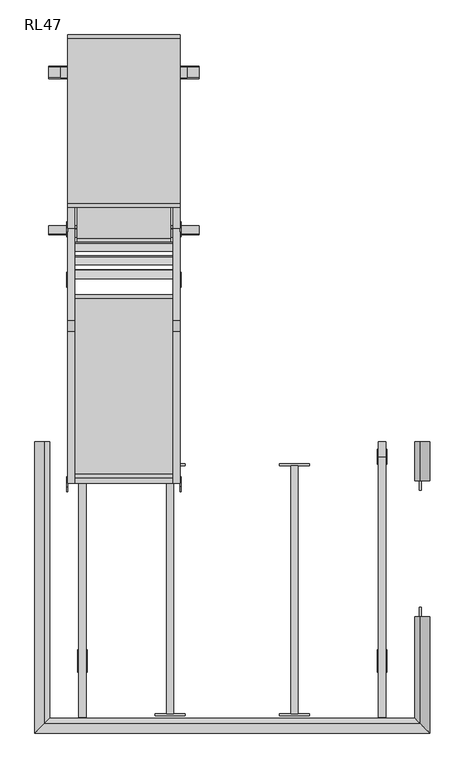
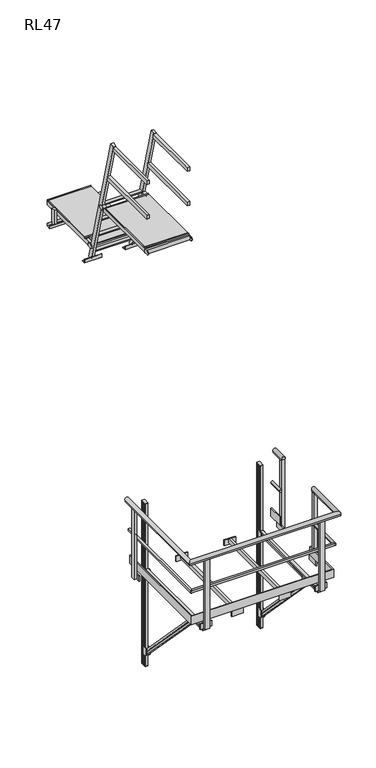
"""IFC4 building model written with IfcOpenShell, lengths in millimetres: proxy geometry, RL47."""

from ifc_helpers import new_model, si_unit, point, frame, frame_2d, origin, place, context, project, spatial, polyline, circle_curve, ellipse_curve, trimmed, segment, composite_curve, outline, extrude, faceted_brep, source, transform, mapped, element, save
from ifc_brep_helpers import plane_surface, cylinder_surface, advanced_brep


def rl47_e33b802b(model_context):
    return source(origin(), model_context, "Body", "SolidModel", [
        extrude(outline(polyline([(-1739.5, 1304.8694762), (-1739.5, 1286.8694762), (-2239.5, 1286.8694762), (-2239.5, 1304.8694762), (-1739.5, 1304.8694762)])), frame((0.0, 0.0, 8981.5), z_axis=(0.0, 0.0, 1.0), x_axis=(1.0, 0.0, 0.0)), (0.0, 0.0, 1.0), 18.5),
        extrude(outline(polyline([(-1689.0, 1491.1194762), (-1689.0, 1472.6194762), (-2290.0, 1472.6194762), (-2290.0, 1491.1194762), (-1689.0, 1491.1194762)])), frame((0.0, 0.0, 8981.5), z_axis=(0.0, 0.0, 1.0), x_axis=(1.0, 0.0, 0.0)), (0.0, 0.0, 1.0), 18.5),
        extrude(outline(polyline([(-1739.5, 1472.6194762), (-1739.5, 1304.8694762), (-2239.5, 1304.8694762), (-2239.5, 1472.6194762), (-1739.5, 1472.6194762)])), frame((0.0, 0.0, 8981.5), z_axis=(0.0, 0.0, 1.0), x_axis=(1.0, 0.0, 0.0)), (0.0, 0.0, 1.0), 18.5),
        extrude(outline(polyline([(-2252.0, 1360.0196058), (-2290.0, 1360.0196058), (-2290.0, 2391.8694762), (-2252.0, 2391.8694762), (-2252.0, 1360.0196058)])), frame((0.0, 0.0, 8923.5), z_axis=(0.0, 0.0, 1.0), x_axis=(1.0, 0.0, 0.0)), (0.0, 0.0, 1.0), 58.0),
        extrude(outline(polyline([(-1689.0, 1360.0196058), (-1727.0, 1360.0196058), (-1727.0, 2391.8694762), (-1689.0, 2391.8694762), (-1689.0, 1360.0196058)])), frame((0.0, 0.0, 8923.5), z_axis=(0.0, 0.0, 1.0), x_axis=(1.0, 0.0, 0.0)), (0.0, 0.0, 1.0), 58.0),
        extrude(outline(polyline([(-1651.0, 2220.8694762), (-1651.0, 2162.8694762), (-1689.0, 2162.8694762), (-1689.0, 2220.8694762), (-1651.0, 2220.8694762)])), frame((0.0, 0.0, 8753.0), z_axis=(0.0, 0.0, 1.0), x_axis=(1.0, 0.0, 0.0)), (0.0, 0.0, 1.0), 240.0),
        extrude(outline(polyline([(-2290.0, 2220.8694762), (-2290.0, 2162.8694762), (-2328.0, 2162.8694762), (-2328.0, 2220.8694762), (-2290.0, 2220.8694762)])), frame((0.0, 0.0, 8753.0), z_axis=(0.0, 0.0, 1.0), x_axis=(1.0, 0.0, 0.0)), (0.0, 0.0, 1.0), 240.0),
        extrude(outline(polyline([(-1689.0, 2391.8694762), (-1689.0, 2373.3694762), (-2290.0, 2373.3694762), (-2290.0, 2391.8694762), (-1689.0, 2391.8694762)])), frame((0.0, 0.0, 8981.5), z_axis=(0.0, 0.0, 1.0), x_axis=(1.0, 0.0, 0.0)), (0.0, 0.0, 1.0), 18.5),
        extrude(outline(polyline([(2221.3694762, 8788.0), (2224.3694762, 8788.0), (2224.3694762, 8750.0), (2159.3694762, 8750.0), (2159.3694762, 8788.0), (2162.3694762, 8788.0), (2162.3694762, 8753.0), (2221.3694762, 8753.0), (2221.3694762, 8788.0)])), frame((-2390.0, 0.0, 0.0), z_axis=(1.0, 0.0, 0.0), x_axis=(0.0, 1.0, 0.0)), (0.0, 0.0, 1.0), 801.0),
        extrude(outline(polyline([(-1689.0, 2372.8694762), (-1689.0, 1491.1194762), (-2290.0, 1491.1194762), (-2290.0, 2372.8694762), (-1689.0, 2372.8694762)])), frame((0.0, 0.0, 8981.5), z_axis=(0.0, 0.0, 1.0), x_axis=(1.0, 0.0, 0.0)), (0.0, 0.0, 1.0), 18.5),
        extrude(outline(composite_curve([segment(trimmed(circle_curve(frame_2d((1389.0731956, 8933.5)), 6.0), [point((1395.0731956, 8933.5))], [point((1389.0731956, 8927.5))], False, "CARTESIAN"), True, "CONTINUOUS"), segment(polyline([(1389.0731956, 8927.5), (1340.0196058, 8927.5)]), True, "CONTINUOUS"), segment(trimmed(circle_curve(frame_2d((1340.0196058, 8952.5)), 25.0), [point((1340.0196058, 8927.5))], [point((1340.0196058, 8977.5))], False, "CARTESIAN"), True, "CONTINUOUS"), segment(polyline([(1340.0196058, 8977.5), (1389.0731956, 8977.5)]), True, "CONTINUOUS"), segment(trimmed(circle_curve(frame_2d((1389.0731956, 8971.5)), 6.0), [point((1389.0731956, 8977.5))], [point((1395.0731956, 8971.5))], False, "CARTESIAN"), True, "CONTINUOUS"), segment(polyline([(1395.0731956, 8971.5), (1395.0731956, 8933.5)]), True, "CONTINUOUS")], self_intersect=False)), frame((-2296.0, 0.0, 0.0), z_axis=(1.0, 0.0, 0.0), x_axis=(0.0, 1.0, 0.0)), (0.0, 0.0, 1.0), 6.0),
        extrude(outline(composite_curve([segment(trimmed(circle_curve(frame_2d((1389.0731956, 8933.5)), 6.0), [point((1395.0731956, 8933.5))], [point((1389.0731956, 8927.5))], False, "CARTESIAN"), True, "CONTINUOUS"), segment(polyline([(1389.0731956, 8927.5), (1340.0196058, 8927.5)]), True, "CONTINUOUS"), segment(trimmed(circle_curve(frame_2d((1340.0196058, 8952.5)), 25.0), [point((1340.0196058, 8927.5))], [point((1340.0196058, 8977.5))], False, "CARTESIAN"), True, "CONTINUOUS"), segment(polyline([(1340.0196058, 8977.5), (1389.0731956, 8977.5)]), True, "CONTINUOUS"), segment(trimmed(circle_curve(frame_2d((1389.0731956, 8971.5)), 6.0), [point((1389.0731956, 8977.5))], [point((1395.0731956, 8971.5))], False, "CARTESIAN"), True, "CONTINUOUS"), segment(polyline([(1395.0731956, 8971.5), (1395.0731956, 8933.5)]), True, "CONTINUOUS")], self_intersect=False)), frame((-1689.0, 0.0, 0.0), z_axis=(1.0, 0.0, 0.0), x_axis=(0.0, 1.0, 0.0)), (0.0, 0.0, 1.0), 6.0),
        extrude(outline(polyline([(-1727.0, 1534.8694762), (-1727.0, 1476.8694762), (-2252.0, 1476.8694762), (-2252.0, 1534.8694762), (-1727.0, 1534.8694762)])), frame((0.0, 0.0, 8943.5), z_axis=(0.0, 0.0, 1.0), x_axis=(1.0, 0.0, 0.0)), (0.0, 0.0, 1.0), 38.0),
        extrude(outline(polyline([(-1727.0, 1958.8694762), (-1727.0, 1900.8694762), (-2252.0, 1900.8694762), (-2252.0, 1958.8694762), (-1727.0, 1958.8694762)])), frame((0.0, 0.0, 8943.5), z_axis=(0.0, 0.0, 1.0), x_axis=(1.0, 0.0, 0.0)), (0.0, 0.0, 1.0), 38.0),
        extrude(outline(polyline([(-1727.0, 2381.8694762), (-1727.0, 2323.8694762), (-2252.0, 2323.8694762), (-2252.0, 2381.8694762), (-1727.0, 2381.8694762)])), frame((0.0, 0.0, 8943.5), z_axis=(0.0, 0.0, 1.0), x_axis=(1.0, 0.0, 0.0)), (0.0, 0.0, 1.0), 38.0),
        extrude(outline(composite_curve([segment(polyline([(1212.725111, 9428.6438625), (1169.2584488, 9416.9970054), (1164.8585251, 9433.4177445)]), True, "CONTINUOUS"), segment(trimmed(circle_curve(frame_2d((1189.9490378, 9426.7120005)), 25.9711538), [point((1164.8585251, 9433.4177445))], [point((1208.3251872, 9445.0646015))], False, "CARTESIAN"), True, "CONTINUOUS"), segment(polyline([(1208.3251872, 9445.0646015), (1212.725111, 9428.6438625)]), True, "CONTINUOUS")], self_intersect=False)), frame((-2252.0, 0.0, 0.0), z_axis=(1.0, 0.0, 0.0), x_axis=(0.0, 1.0, 0.0)), (0.0, 0.0, 1.0), 525.0),
        extrude(outline(composite_curve([segment(polyline([(1285.9293103, 9155.4420712), (1242.4626482, 9143.7952142), (1238.0627244, 9160.2159532)]), True, "CONTINUOUS"), segment(trimmed(circle_curve(frame_2d((1263.1532371, 9153.5102093)), 25.9711538), [point((1238.0627244, 9160.2159532))], [point((1281.5293866, 9171.8628103))], False, "CARTESIAN"), True, "CONTINUOUS"), segment(polyline([(1281.5293866, 9171.8628103), (1285.9293103, 9155.4420712)]), True, "CONTINUOUS")], self_intersect=False)), frame((-2252.0, 0.0, 0.0), z_axis=(1.0, 0.0, 0.0), x_axis=(0.0, 1.0, 0.0)), (0.0, 0.0, 1.0), 525.0),
        extrude(outline(composite_curve([segment(polyline([(1139.5209117, 9701.8456537), (1096.0542495, 9690.1987967), (1091.6543257, 9706.6195357)]), True, "CONTINUOUS"), segment(trimmed(circle_curve(frame_2d((1116.7448385, 9699.9137918)), 25.9711538), [point((1091.6543257, 9706.6195357))], [point((1135.1209879, 9718.2663928))], False, "CARTESIAN"), True, "CONTINUOUS"), segment(polyline([(1135.1209879, 9718.2663928), (1139.5209117, 9701.8456537)]), True, "CONTINUOUS")], self_intersect=False)), frame((-2252.0, 0.0, 0.0), z_axis=(1.0, 0.0, 0.0), x_axis=(0.0, 1.0, 0.0)), (0.0, 0.0, 1.0), 525.0),
        extrude(outline(composite_curve([segment(polyline([(1359.1335097, 8882.24028), (1315.6668475, 8870.5934229), (1311.2669237, 8887.014162)]), True, "CONTINUOUS"), segment(trimmed(circle_curve(frame_2d((1336.3574365, 8880.308418)), 25.9711538), [point((1311.2669237, 8887.014162))], [point((1354.7335859, 8898.661019))], False, "CARTESIAN"), True, "CONTINUOUS"), segment(polyline([(1354.7335859, 8898.661019), (1359.1335097, 8882.24028)]), True, "CONTINUOUS")], self_intersect=False)), frame((-2252.0, 0.0, 0.0), z_axis=(1.0, 0.0, 0.0), x_axis=(0.0, 1.0, 0.0)), (0.0, 0.0, 1.0), 525.0),
        extrude(outline(polyline([(-38.0, 0.0), (0.0, 0.0), (0.0, -58.0000001), (-38.0, -58.0000001), (-38.0, 0.0)])), frame((-2252.0, 1396.470313, 8768.0115046), z_axis=(0.0, -0.25881904510251985, 0.9659258262890685), x_axis=(1.0, 0.0, 0.0)), (0.0, 0.0, 1.0), 2048.5179208),
        extrude(outline(polyline([(-38.0, 0.0), (0.0, 0.0), (0.0, -58.0000001), (-38.0, -58.0000001), (-38.0, 0.0)])), frame((-1689.0, 1396.470313, 8768.0115046), z_axis=(0.0, -0.25881904510251985, 0.9659258262890685), x_axis=(1.0, 0.0, 0.0)), (0.0, 0.0, 1.0), 2048.5179208),
        extrude(outline(composite_curve([segment(polyline([(1044.4694194, 9658.8687928), (1044.4694194, 9696.8687928)]), True, "CONTINUOUS"), segment(trimmed(circle_curve(frame_2d((1050.4694194, 9696.8687928)), 6.0), [point((1044.4694194, 9696.8687928))], [point((1050.4694194, 9702.8687928))], False, "CARTESIAN"), True, "CONTINUOUS"), segment(polyline([(1050.4694194, 9702.8687928), (1099.5230092, 9702.8687928)]), True, "CONTINUOUS"), segment(trimmed(circle_curve(frame_2d((1099.5230092, 9677.8687928)), 25.0), [point((1099.5230092, 9702.8687928))], [point((1099.5230092, 9652.8687928))], False, "CARTESIAN"), True, "CONTINUOUS"), segment(polyline([(1099.5230092, 9652.8687928), (1050.4694194, 9652.8687928)]), True, "CONTINUOUS"), segment(trimmed(circle_curve(frame_2d((1050.4694194, 9658.8687928)), 6.0), [point((1050.4694194, 9652.8687928))], [point((1044.4694194, 9658.8687928))], False, "CARTESIAN"), True, "CONTINUOUS")], self_intersect=False)), frame((-2295.5, 0.0, 0.0), z_axis=(1.0, 0.0, 0.0), x_axis=(0.0, 1.0, 0.0)), (0.0, 0.0, 1.0), 6.0),
        extrude(outline(composite_curve([segment(trimmed(circle_curve(frame_2d((1050.4694194, 9696.8687928)), 6.0), [point((1044.4694194, 9696.8687928))], [point((1050.4694194, 9702.8687928))], False, "CARTESIAN"), True, "CONTINUOUS"), segment(polyline([(1050.4694194, 9702.8687928), (1099.5230092, 9702.8687928)]), True, "CONTINUOUS"), segment(trimmed(circle_curve(frame_2d((1099.5230092, 9677.8687928)), 25.0), [point((1099.5230092, 9702.8687928))], [point((1099.5230092, 9652.8687928))], False, "CARTESIAN"), True, "CONTINUOUS"), segment(polyline([(1099.5230092, 9652.8687928), (1050.4694194, 9652.8687928)]), True, "CONTINUOUS"), segment(trimmed(circle_curve(frame_2d((1050.4694194, 9658.8687928)), 6.0), [point((1050.4694194, 9652.8687928))], [point((1044.4694194, 9658.8687928))], False, "CARTESIAN"), True, "CONTINUOUS"), segment(polyline([(1044.4694194, 9658.8687928), (1044.4694194, 9696.8687928)]), True, "CONTINUOUS")], self_intersect=False)), frame((-1689.5, 0.0, 0.0), z_axis=(1.0, 0.0, 0.0), x_axis=(0.0, 1.0, 0.0)), (0.0, 0.0, 1.0), 6.0),
        extrude(outline(composite_curve([segment(trimmed(circle_curve(frame_2d((-20.0, 9677.8687928)), 25.0), [point((-20.0, 9652.8687928))], [point((-20.0, 9702.8687928))], False, "CARTESIAN"), True, "CONTINUOUS"), segment(polyline([(-20.0, 9702.8687928), (29.0535898, 9702.8687928)]), True, "CONTINUOUS"), segment(trimmed(circle_curve(frame_2d((29.0535898, 9696.8687928)), 6.0), [point((29.0535898, 9702.8687928))], [point((35.0535898, 9696.8687928))], False, "CARTESIAN"), True, "CONTINUOUS"), segment(polyline([(35.0535898, 9696.8687928), (35.0535898, 9658.8687928)]), True, "CONTINUOUS"), segment(trimmed(circle_curve(frame_2d((29.0535898, 9658.8687928)), 6.0), [point((35.0535898, 9658.8687928))], [point((29.0535898, 9652.8687928))], False, "CARTESIAN"), True, "CONTINUOUS"), segment(polyline([(29.0535898, 9652.8687928), (-20.0, 9652.8687928)]), True, "CONTINUOUS")], self_intersect=False)), frame((-2295.5, 0.0, 0.0), z_axis=(1.0, 0.0, 0.0), x_axis=(0.0, 1.0, 0.0)), (0.0, 0.0, 1.0), 6.0),
        extrude(outline(composite_curve([segment(trimmed(circle_curve(frame_2d((-20.0, 9677.8687928)), 25.0), [point((-20.0, 9652.8687928))], [point((-20.0, 9702.8687928))], False, "CARTESIAN"), True, "CONTINUOUS"), segment(polyline([(-20.0, 9702.8687928), (29.0535898, 9702.8687928)]), True, "CONTINUOUS"), segment(trimmed(circle_curve(frame_2d((29.0535898, 9696.8687928)), 6.0), [point((29.0535898, 9702.8687928))], [point((35.0535898, 9696.8687928))], False, "CARTESIAN"), True, "CONTINUOUS"), segment(polyline([(35.0535898, 9696.8687928), (35.0535898, 9658.8687928)]), True, "CONTINUOUS"), segment(trimmed(circle_curve(frame_2d((29.0535898, 9658.8687928)), 6.0), [point((35.0535898, 9658.8687928))], [point((29.0535898, 9652.8687928))], False, "CARTESIAN"), True, "CONTINUOUS"), segment(polyline([(29.0535898, 9652.8687928), (-20.0, 9652.8687928)]), True, "CONTINUOUS")], self_intersect=False)), frame((-1689.5, 0.0, 0.0), z_axis=(1.0, 0.0, 0.0), x_axis=(0.0, 1.0, 0.0)), (0.0, 0.0, 1.0), 6.0),
        extrude(outline(polyline([(-2289.5, 30.0), (-2289.5, 48.4), (-1689.5, 48.4), (-1689.5, 30.0), (-2289.5, 30.0)])), frame((0.0, 0.0, 9706.5), z_axis=(0.0, 0.0, 1.0), x_axis=(1.0, 0.0, 0.0)), (0.0, 0.0, 1.0), 18.5),
        extrude(outline(polyline([(-2289.5, 986.1290032), (-2289.5, 1004.5290032), (-1689.5, 1004.5290032), (-1689.5, 986.1290032), (-2289.5, 986.1290032)])), frame((0.0, 0.0, 9706.5), z_axis=(0.0, 0.0, 1.0), x_axis=(1.0, 0.0, 0.0)), (0.0, 0.0, 1.0), 18.5),
        extrude(outline(polyline([(1374.853003, 8753.0), (1374.853003, 8750.0), (1324.853003, 8750.0), (1324.853003, 8800.0), (1327.853003, 8800.0), (1327.853003, 8753.0), (1374.853003, 8753.0)])), frame((-2390.0, 0.0, 0.0), z_axis=(1.0, 0.0, 0.0), x_axis=(0.0, 1.0, 0.0)), (0.0, 0.0, 1.0), 238.0),
        extrude(outline(polyline([(1374.853003, 8753.0), (1374.853003, 8750.0), (1324.853003, 8750.0), (1324.853003, 8800.0), (1327.853003, 8800.0), (1327.853003, 8753.0), (1374.853003, 8753.0)])), frame((-1827.0, 0.0, 0.0), z_axis=(1.0, 0.0, 0.0), x_axis=(0.0, 1.0, 0.0)), (0.0, 0.0, 1.0), 238.0),
        extrude(outline(polyline([(-1689.5, 0.0), (-1727.5, 0.0), (-1727.5, 947.9025997), (-1689.5, 947.9025997), (-1689.5, 0.0)])), frame((0.0, 0.0, 10160.9942094), z_axis=(0.0, 0.0, 1.0), x_axis=(1.0, 0.0, 0.0)), (0.0, 0.0, 1.0), 57.0),
        extrude(outline(polyline([(-1689.5, 0.0), (-1727.5, 0.0), (-1727.5, 812.0508076), (-1689.5, 812.0508076), (-1689.5, 0.0)])), frame((0.0, 0.0, 10668.0), z_axis=(0.0, 0.0, 1.0), x_axis=(1.0, 0.0, 0.0)), (0.0, 0.0, 1.0), 57.0),
        extrude(outline(polyline([(-2251.5, 0.0), (-2289.5, 0.0), (-2289.5, 812.0508076), (-2251.5, 812.0508076), (-2251.5, 0.0)])), frame((0.0, 0.0, 10668.0), z_axis=(0.0, 0.0, 1.0), x_axis=(1.0, 0.0, 0.0)), (0.0, 0.0, 1.0), 57.0),
        extrude(outline(polyline([(-2251.5, 0.0), (-2289.5, 0.0), (-2289.5, 947.9025997), (-2251.5, 947.9025997), (-2251.5, 0.0)])), frame((0.0, 0.0, 10160.9942094), z_axis=(0.0, 0.0, 1.0), x_axis=(1.0, 0.0, 0.0)), (0.0, 0.0, 1.0), 57.0),
        extrude(outline(polyline([(-2289.5, 986.1290032), (-1689.5, 986.1290032), (-1689.5, 48.4), (-2289.5, 48.4), (-2289.5, 986.1290032)])), frame((0.0, 0.0, 9706.5), z_axis=(0.0, 0.0, 1.0), x_axis=(1.0, 0.0, 0.0)), (0.0, 0.0, 1.0), 18.5),
        extrude(outline(polyline([(-1727.5, 1079.5230092), (-1689.5, 1079.5230092), (-1689.5, 0.0), (-2289.5, 0.0), (-2289.5, 1079.5230092), (-2251.5, 1079.5230092), (-2251.5, 38.0), (-1727.5, 38.0), (-1727.5, 1079.5230092)])), frame((0.0, 0.0, 9649.2375855), z_axis=(0.0, 0.0, 1.0), x_axis=(1.0, 0.0, 0.0)), (0.0, 0.0, 1.0), 57.2624145),
        extrude(outline(polyline([(-2251.5, 933.7615046), (-2251.5, 991.7615046), (-1727.5, 991.7615046), (-1727.5, 933.7615046), (-2251.5, 933.7615046)])), frame((0.0, 0.0, 9668.5), z_axis=(0.0, 0.0, 1.0), x_axis=(1.0, 0.0, 0.0)), (0.0, 0.0, 1.0), 38.0),
        extrude(outline(polyline([(-2251.5, 510.7615046), (-2251.5, 568.7615046), (-1727.5, 568.7615046), (-1727.5, 510.7615046), (-2251.5, 510.7615046)])), frame((0.0, 0.0, 9668.5), z_axis=(0.0, 0.0, 1.0), x_axis=(1.0, 0.0, 0.0)), (0.0, 0.0, 1.0), 38.0),
        extrude(outline(polyline([(-639.75, -1288.0), (-581.25, -1288.0), (-581.25, -1326.5), (-639.75, -1326.5), (-639.75, -1288.0)])), frame((0.0, 0.0, 4909.0), z_axis=(0.0, 0.0, 1.0), x_axis=(1.0, 0.0, 0.0)), (0.0, 0.0, 1.0), 1035.5),
        extrude(outline(polyline([(-690.5, -1288.0), (-690.5, -1278.0), (-530.5, -1278.0), (-530.5, -1288.0), (-690.5, -1288.0)])), frame((0.0, 0.0, 4904.0), z_axis=(0.0, 0.0, 1.0), x_axis=(1.0, 0.0, 0.0)), (0.0, 0.0, 1.0), 80.0),
        extrude(outline(polyline([(-629.75, 222.0), (-591.25, 222.0), (-591.25, 142.0), (-629.75, 142.0), (-629.75, 222.0)])), frame((0.0, 0.0, 3471.1412976), z_axis=(0.0, 0.0, 1.0), x_axis=(1.0, 0.0, 0.0)), (0.0, 0.0, 1.0), 5.0),
        extrude(outline(polyline([(-629.75, 222.0), (-591.25, 222.0), (-591.25, 142.0), (-629.75, 142.0), (-629.75, 222.0)])), frame((0.0, 0.0, 5866.1412976), z_axis=(0.0, 0.0, 1.0), x_axis=(1.0, 0.0, 0.0)), (0.0, 0.0, 1.0), 5.0),
        extrude(outline(polyline([(4841.8912976, -591.25), (4865.8912976, -591.25), (4865.8912976, -595.25), (4876.3912976, -595.25), (4876.3912976, -591.25), (4904.0, -591.25), (4904.0, -629.75), (4876.3912976, -629.75), (4876.3912976, -625.75), (4865.8912976, -625.75), (4865.8912976, -629.75), (4841.8912976, -629.75), (4841.8912976, -591.25)])), frame((0.0, -1248.0, 0.0), z_axis=(0.0, 1.0, 0.0), x_axis=(0.0, 0.0, 1.0)), (0.0, 0.0, 1.0), 1390.0),
        extrude(outline(polyline([(-629.75, 187.25), (-629.75, 204.5), (-616.75, 204.5), (-616.75, 215.0), (-629.75, 215.0), (-629.75, 222.0), (-591.25, 222.0), (-591.25, 215.0), (-604.25, 215.0), (-604.25, 204.5), (-591.25, 204.5), (-591.25, 187.25), (-604.25, 187.25), (-604.25, 176.75), (-591.25, 176.75), (-591.25, 159.5), (-604.25, 159.5), (-604.25, 149.0), (-591.25, 149.0), (-591.25, 142.0), (-629.75, 142.0), (-629.75, 149.0), (-616.75, 149.0), (-616.75, 159.5), (-629.75, 159.5), (-629.75, 176.75), (-616.75, 176.75), (-616.75, 187.25), (-629.75, 187.25)])), frame((0.0, 0.0, 3476.1412976), z_axis=(0.0, 0.0, 1.0), x_axis=(1.0, 0.0, 0.0)), (0.0, 0.0, 1.0), 2390.0),
        faceted_brep([(-591.25, 123.4263393, 3650.8567388), (-629.75, 123.4263393, 3650.8567388), (-629.75, 140.7175481, 3667.5004794), (-625.75, 140.7175481, 3667.5004794), (-625.75, 148.2824519, 3674.7821159), (-629.75, 148.2824519, 3674.7821159), (-629.75, 165.5736607, 3691.4258565), (-591.25, 165.5736607, 3691.4258565), (-591.25, 148.2824519, 3674.7821159), (-595.25, 148.2824519, 3674.7821159), (-595.25, 140.7175481, 3667.5004794), (-591.25, 140.7175481, 3667.5004794), (-591.25, -983.0891868, 4801.2106317), (-591.25, -965.3553906, 4817.381979), (-595.25, -965.3553906, 4817.381979), (-595.25, -957.5968548, 4824.4569434), (-591.25, -957.5968548, 4824.4569434), (-591.25, -939.8630585, 4840.6282906), (-629.75, -939.8630585, 4840.6282906), (-629.75, -957.5968548, 4824.4569434), (-625.75, -957.5968548, 4824.4569434), (-625.75, -965.3553906, 4817.381979), (-629.75, -965.3553906, 4817.381979), (-629.75, -983.0891868, 4801.2106317), (-591.25, -951.8315568, 4802.5514945), (-591.25, -969.3472449, 4786.140966), (-595.25, -951.8315568, 4802.5514945), (-595.25, -944.1684432, 4809.7311008), (-591.25, -944.1684432, 4809.7311008), (-591.25, -926.6527551, 4826.1416293), (-629.75, -926.6527551, 4826.1416293), (-629.75, -944.1684432, 4809.7311008), (-625.75, -944.1684432, 4809.7311008), (-625.75, -951.8315568, 4802.5514945), (-629.75, -951.8315568, 4802.5514945), (-629.75, -969.3472449, 4786.140966)], [[[0, 1, 2, 3, 4, 5, 6, 7, 8, 9, 10, 11]], [[12, 13, 14, 15, 16, 17, 18, 19, 20, 21, 22, 23]], [[11, 24, 13, 12, 25, 0]], [[10, 26, 24, 11]], [[9, 27, 15, 14, 26, 10]], [[8, 28, 27, 9]], [[7, 29, 17, 16, 28, 8]], [[6, 30, 29, 7]], [[5, 31, 19, 18, 30, 6]], [[4, 32, 31, 5]], [[3, 33, 21, 20, 32, 4]], [[2, 34, 33, 3]], [[1, 35, 23, 22, 34, 2]], [[0, 25, 35, 1]], [[26, 14, 13, 24]], [[28, 16, 15, 27]], [[30, 18, 17, 29]], [[32, 20, 19, 31]], [[34, 22, 21, 33]], [[25, 12, 23, 35]]]),
        extrude(outline(polyline([(102.0, 3761.1412976), (182.0, 3761.1412976), (182.0, 3641.1412976), (126.0, 3641.1412976), (102.0, 3665.1412976), (102.0, 3761.1412976)])), frame((-635.75, 0.0, 0.0), z_axis=(1.0, 0.0, 0.0), x_axis=(0.0, 1.0, 0.0)), (0.0, 0.0, 1.0), 6.0),
        extrude(outline(polyline([(182.0, 4904.0), (182.0, 4784.0), (126.0, 4784.0), (102.0, 4808.0), (102.0, 4904.0), (182.0, 4904.0)])), frame((-635.75, 0.0, 0.0), z_axis=(1.0, 0.0, 0.0), x_axis=(0.0, 1.0, 0.0)), (0.0, 0.0, 1.0), 6.0),
        extrude(outline(polyline([(-888.0, 4791.1412976), (-984.0, 4791.1412976), (-1008.0, 4815.1412976), (-1008.0, 4871.1412976), (-888.0, 4871.1412976), (-888.0, 4791.1412976)])), frame((-635.75, 0.0, 0.0), z_axis=(1.0, 0.0, 0.0), x_axis=(0.0, 1.0, 0.0)), (0.0, 0.0, 1.0), 6.0),
        extrude(outline(polyline([(102.0, 3761.1412976), (182.0, 3761.1412976), (182.0, 3641.1412976), (126.0, 3641.1412976), (102.0, 3665.1412976), (102.0, 3761.1412976)])), frame((-591.25, 0.0, 0.0), z_axis=(1.0, 0.0, 0.0), x_axis=(0.0, 1.0, 0.0)), (0.0, 0.0, 1.0), 6.0),
        extrude(outline(polyline([(182.0, 4904.0), (182.0, 4784.0), (126.0, 4784.0), (102.0, 4808.0), (102.0, 4904.0), (182.0, 4904.0)])), frame((-591.25, 0.0, 0.0), z_axis=(1.0, 0.0, 0.0), x_axis=(0.0, 1.0, 0.0)), (0.0, 0.0, 1.0), 6.0),
        extrude(outline(polyline([(-888.0, 4791.1412976), (-984.0, 4791.1412976), (-1008.0, 4815.1412976), (-1008.0, 4871.1412976), (-888.0, 4871.1412976), (-888.0, 4791.1412976)])), frame((-591.25, 0.0, 0.0), z_axis=(1.0, 0.0, 0.0), x_axis=(0.0, 1.0, 0.0)), (0.0, 0.0, 1.0), 6.0),
        extrude(outline(polyline([(-2191.25, 222.0), (-2191.25, 142.0), (-2229.75, 142.0), (-2229.75, 222.0), (-2191.25, 222.0)])), frame((0.0, 0.0, 3471.1412976), z_axis=(0.0, 0.0, 1.0), x_axis=(1.0, 0.0, 0.0)), (0.0, 0.0, 1.0), 5.0),
        extrude(outline(polyline([(-2191.25, 222.0), (-2191.25, 142.0), (-2229.75, 142.0), (-2229.75, 222.0), (-2191.25, 222.0)])), frame((0.0, 0.0, 5866.1412976), z_axis=(0.0, 0.0, 1.0), x_axis=(1.0, 0.0, 0.0)), (0.0, 0.0, 1.0), 5.0),
        extrude(outline(polyline([(4841.8912976, -2229.75), (4841.8912976, -2191.25), (4865.8912976, -2191.25), (4865.8912976, -2195.25), (4876.3912976, -2195.25), (4876.3912976, -2191.25), (4904.0, -2191.25), (4904.0, -2229.75), (4876.3912976, -2229.75), (4876.3912976, -2225.75), (4865.8912976, -2225.75), (4865.8912976, -2229.75), (4841.8912976, -2229.75)])), frame((0.0, -1248.0, 0.0), z_axis=(0.0, 1.0, 0.0), x_axis=(0.0, 0.0, 1.0)), (0.0, 0.0, 1.0), 1390.0),
        extrude(outline(polyline([(-2191.25, 187.25), (-2204.25, 187.25), (-2204.25, 176.75), (-2191.25, 176.75), (-2191.25, 159.5), (-2204.25, 159.5), (-2204.25, 149.0), (-2191.25, 149.0), (-2191.25, 142.0), (-2229.75, 142.0), (-2229.75, 149.0), (-2216.75, 149.0), (-2216.75, 159.5), (-2229.75, 159.5), (-2229.75, 176.75), (-2216.75, 176.75), (-2216.75, 187.25), (-2229.75, 187.25), (-2229.75, 204.5), (-2216.75, 204.5), (-2216.75, 215.0), (-2229.75, 215.0), (-2229.75, 222.0), (-2191.25, 222.0), (-2191.25, 215.0), (-2204.25, 215.0), (-2204.25, 204.5), (-2191.25, 204.5), (-2191.25, 187.25)])), frame((0.0, 0.0, 3476.1412976), z_axis=(0.0, 0.0, 1.0), x_axis=(1.0, 0.0, 0.0)), (0.0, 0.0, 1.0), 2390.0),
        faceted_brep([(-2229.75, 123.4263393, 3650.8567388), (-2229.75, 140.7175481, 3667.5004794), (-2225.75, 140.7175481, 3667.5004794), (-2225.75, 148.2824519, 3674.7821159), (-2229.75, 148.2824519, 3674.7821159), (-2229.75, 165.5736607, 3691.4258565), (-2191.25, 165.5736607, 3691.4258565), (-2191.25, 148.2824519, 3674.7821159), (-2195.25, 148.2824519, 3674.7821159), (-2195.25, 140.7175481, 3667.5004794), (-2191.25, 140.7175481, 3667.5004794), (-2191.25, 123.4263393, 3650.8567388), (-2229.75, -983.0891868, 4801.2106317), (-2191.25, -983.0891868, 4801.2106317), (-2191.25, -965.3553906, 4817.381979), (-2195.25, -965.3553906, 4817.381979), (-2195.25, -957.5968548, 4824.4569434), (-2191.25, -957.5968548, 4824.4569434), (-2191.25, -939.8630585, 4840.6282906), (-2229.75, -939.8630585, 4840.6282906), (-2229.75, -957.5968548, 4824.4569434), (-2225.75, -957.5968548, 4824.4569434), (-2225.75, -965.3553906, 4817.381979), (-2229.75, -965.3553906, 4817.381979), (-2229.75, -969.3472449, 4786.140966), (-2229.75, -951.8315568, 4802.5514945), (-2225.75, -951.8315568, 4802.5514945), (-2225.75, -944.1684432, 4809.7311008), (-2229.75, -944.1684432, 4809.7311008), (-2229.75, -926.6527551, 4826.1416293), (-2191.25, -926.6527551, 4826.1416293), (-2191.25, -944.1684432, 4809.7311008), (-2195.25, -944.1684432, 4809.7311008), (-2195.25, -951.8315568, 4802.5514945), (-2191.25, -951.8315568, 4802.5514945), (-2191.25, -969.3472449, 4786.140966)], [[[0, 1, 2, 3, 4, 5, 6, 7, 8, 9, 10, 11]], [[12, 13, 14, 15, 16, 17, 18, 19, 20, 21, 22, 23]], [[1, 0, 24, 12, 23, 25]], [[2, 1, 25, 26]], [[3, 2, 26, 22, 21, 27]], [[4, 3, 27, 28]], [[5, 4, 28, 20, 19, 29]], [[6, 5, 29, 30]], [[7, 6, 30, 18, 17, 31]], [[8, 7, 31, 32]], [[9, 8, 32, 16, 15, 33]], [[10, 9, 33, 34]], [[11, 10, 34, 14, 13, 35]], [[0, 11, 35, 24]], [[26, 25, 23, 22]], [[28, 27, 21, 20]], [[30, 29, 19, 18]], [[32, 31, 17, 16]], [[34, 33, 15, 14]], [[24, 35, 13, 12]]]),
        extrude(outline(polyline([(102.0, 3761.1412976), (182.0, 3761.1412976), (182.0, 3641.1412976), (126.0, 3641.1412976), (102.0, 3665.1412976), (102.0, 3761.1412976)])), frame((-2191.25, 0.0, 0.0), z_axis=(1.0, 0.0, 0.0), x_axis=(0.0, 1.0, 0.0)), (0.0, 0.0, 1.0), 6.0),
        extrude(outline(polyline([(182.0, 4904.0), (182.0, 4784.0), (126.0, 4784.0), (102.0, 4808.0), (102.0, 4904.0), (182.0, 4904.0)])), frame((-2191.25, 0.0, 0.0), z_axis=(1.0, 0.0, 0.0), x_axis=(0.0, 1.0, 0.0)), (0.0, 0.0, 1.0), 6.0),
        extrude(outline(polyline([(-888.0, 4791.1412976), (-984.0, 4791.1412976), (-1008.0, 4815.1412976), (-1008.0, 4871.1412976), (-888.0, 4871.1412976), (-888.0, 4791.1412976)])), frame((-2191.25, 0.0, 0.0), z_axis=(1.0, 0.0, 0.0), x_axis=(0.0, 1.0, 0.0)), (0.0, 0.0, 1.0), 6.0),
        extrude(outline(polyline([(102.0, 3761.1412976), (182.0, 3761.1412976), (182.0, 3641.1412976), (126.0, 3641.1412976), (102.0, 3665.1412976), (102.0, 3761.1412976)])), frame((-2235.75, 0.0, 0.0), z_axis=(1.0, 0.0, 0.0), x_axis=(0.0, 1.0, 0.0)), (0.0, 0.0, 1.0), 6.0),
        extrude(outline(polyline([(182.0, 4904.0), (182.0, 4784.0), (126.0, 4784.0), (102.0, 4808.0), (102.0, 4904.0), (182.0, 4904.0)])), frame((-2235.75, 0.0, 0.0), z_axis=(1.0, 0.0, 0.0), x_axis=(0.0, 1.0, 0.0)), (0.0, 0.0, 1.0), 6.0),
        extrude(outline(polyline([(-888.0, 4791.1412976), (-984.0, 4791.1412976), (-1008.0, 4815.1412976), (-1008.0, 4871.1412976), (-888.0, 4871.1412976), (-888.0, 4791.1412976)])), frame((-2235.75, 0.0, 0.0), z_axis=(1.0, 0.0, 0.0), x_axis=(0.0, 1.0, 0.0)), (0.0, 0.0, 1.0), 6.0),
        extrude(outline(polyline([(-1058.75, 93.5), (-1058.75, -1229.5), (-1097.25, -1229.5), (-1097.25, 93.5), (-1058.75, 93.5)])), frame((0.0, 0.0, 4925.5), z_axis=(0.0, 0.0, 1.0), x_axis=(1.0, 0.0, 0.0)), (0.0, 0.0, 1.0), 58.5),
        extrude(outline(polyline([(-998.0, -1229.5), (-998.0, -1239.5), (-1158.0, -1239.5), (-1158.0, -1229.5), (-998.0, -1229.5)])), frame((0.0, 0.0, 4904.0), z_axis=(0.0, 0.0, 1.0), x_axis=(1.0, 0.0, 0.0)), (0.0, 0.0, 1.0), 80.0),
        extrude(outline(polyline([(-998.0, 103.5), (-998.0, 93.5), (-1158.0, 93.5), (-1158.0, 103.5), (-998.0, 103.5)])), frame((0.0, 0.0, 4904.0), z_axis=(0.0, 0.0, 1.0), x_axis=(1.0, 0.0, 0.0)), (0.0, 0.0, 1.0), 80.0),
        extrude(outline(polyline([(-400.5, -712.25), (-362.0, -712.25), (-362.0, -770.75), (-400.5, -770.75), (-400.5, -712.25)])), frame((0.0, 0.0, 4909.0), z_axis=(0.0, 0.0, 1.0), x_axis=(1.0, 0.0, 0.0)), (0.0, 0.0, 1.0), 1035.5),
        extrude(outline(polyline([(-400.5, -661.5), (-400.5, -821.5), (-410.5, -821.5), (-410.5, -661.5), (-400.5, -661.5)])), frame((0.0, 0.0, 4904.0), z_axis=(0.0, 0.0, 1.0), x_axis=(1.0, 0.0, 0.0)), (0.0, 0.0, 1.0), 80.0),
        extrude(outline(polyline([(-2420.5, 12.75), (-2459.0, 12.75), (-2459.0, 71.25), (-2420.5, 71.25), (-2420.5, 12.75)])), frame((0.0, 0.0, 4909.0), z_axis=(0.0, 0.0, 1.0), x_axis=(1.0, 0.0, 0.0)), (0.0, 0.0, 1.0), 1035.5),
        extrude(outline(polyline([(-2420.5, -38.0), (-2420.5, 122.0), (-2410.5, 122.0), (-2410.5, -38.0), (-2420.5, -38.0)])), frame((0.0, 0.0, 4904.0), z_axis=(0.0, 0.0, 1.0), x_axis=(1.0, 0.0, 0.0)), (0.0, 0.0, 1.0), 80.0),
        extrude(outline(polyline([(-400.5, 71.25), (-362.0, 71.25), (-362.0, 12.75), (-400.5, 12.75), (-400.5, 71.25)])), frame((0.0, 0.0, 4909.0), z_axis=(0.0, 0.0, 1.0), x_axis=(1.0, 0.0, 0.0)), (0.0, 0.0, 1.0), 1035.5),
        extrude(outline(polyline([(-400.5, 122.0), (-400.5, -38.0), (-410.5, -38.0), (-410.5, 122.0), (-400.5, 122.0)])), frame((0.0, 0.0, 4904.0), z_axis=(0.0, 0.0, 1.0), x_axis=(1.0, 0.0, 0.0)), (0.0, 0.0, 1.0), 80.0),
        extrude(outline(polyline([(-1762.25, 93.5), (-1723.75, 93.5), (-1723.75, -1229.5), (-1762.25, -1229.5), (-1762.25, 93.5)])), frame((0.0, 0.0, 4925.5), z_axis=(0.0, 0.0, 1.0), x_axis=(1.0, 0.0, 0.0)), (0.0, 0.0, 1.0), 58.5),
        extrude(outline(polyline([(-1823.0, -1229.5), (-1663.0, -1229.5), (-1663.0, -1239.5), (-1823.0, -1239.5), (-1823.0, -1229.5)])), frame((0.0, 0.0, 4904.0), z_axis=(0.0, 0.0, 1.0), x_axis=(1.0, 0.0, 0.0)), (0.0, 0.0, 1.0), 80.0),
        extrude(outline(polyline([(-1823.0, 103.5), (-1663.0, 103.5), (-1663.0, 93.5), (-1823.0, 93.5), (-1823.0, 103.5)])), frame((0.0, 0.0, 4904.0), z_axis=(0.0, 0.0, 1.0), x_axis=(1.0, 0.0, 0.0)), (0.0, 0.0, 1.0), 80.0),
        extrude(outline(polyline([(-2181.25, -1288.0), (-2181.25, -1326.5), (-2239.75, -1326.5), (-2239.75, -1288.0), (-2181.25, -1288.0)])), frame((0.0, 0.0, 4909.0), z_axis=(0.0, 0.0, 1.0), x_axis=(1.0, 0.0, 0.0)), (0.0, 0.0, 1.0), 1035.5),
        extrude(outline(polyline([(-2130.5, -1288.0), (-2290.5, -1288.0), (-2290.5, -1278.0), (-2130.5, -1278.0), (-2130.5, -1288.0)])), frame((0.0, 0.0, 4904.0), z_axis=(0.0, 0.0, 1.0), x_axis=(1.0, 0.0, 0.0)), (0.0, 0.0, 1.0), 80.0),
        advanced_brep(
        [(-402.0, 222.0, 5951.43534), (-360.0, 222.0, 5951.43534), (-360.0, 222.0, 5933.0), (-402.0, 222.0, 5933.0), (-402.0, 12.75, 5951.43534), (-381.0, 12.75, 5990.0), (-360.0, 12.75, 5951.43534), (-360.0, 12.75, 5933.0), (-402.0, 12.75, 5933.0)],
        [
            (0, 1, circle_curve(frame((-381.0, 222.0, 5965.0), z_axis=(0.0, 1.0, 0.0), x_axis=(1.0, 0.0, 0.0)), 25.0)),
            (1, 2),
            (2, 3),
            (3, 0),
            (0, 4),
            (4, 5, circle_curve(frame((-381.0, 12.75, 5965.0), z_axis=(0.0, 1.0, 0.0), x_axis=(1.0, 0.0, 0.0)), 25.0)),
            (5, 6, circle_curve(frame((-381.0, 12.75, 5965.0), z_axis=(0.0, 1.0, 0.0), x_axis=(1.0, 0.0, 0.0)), 25.0)),
            (6, 1),
            (6, 7),
            (7, 2),
            (7, 8),
            (8, 3),
            (8, 4),
        ],
        [
            plane_surface(frame((-356.0, 222.0, 5990.0), z_axis=(0.0, 1.0, 0.0), x_axis=(0.0, 0.0, 1.0))),
            cylinder_surface(frame((-381.0, 222.0, 5965.0), z_axis=(0.0, 1.0, 0.0), x_axis=(1.0, 0.0, 0.0)), 25.0),
            plane_surface(frame((-360.0, 222.0, 5951.43534), z_axis=(1.0, 0.0, 0.0), x_axis=(0.0, -1.0, 0.0))),
            plane_surface(frame((-360.0, 222.0, 5933.0), z_axis=(0.0, 0.0, -1.0), x_axis=(0.0, -1.0, 0.0))),
            plane_surface(frame((-402.0, 222.0, 5933.0), z_axis=(-1.0, 0.0, 0.0), x_axis=(0.0, -1.0, 0.0))),
            plane_surface(frame((-344.0, 12.75, 5990.0), z_axis=(0.0, -1.0, 0.0), x_axis=(0.0, 0.0, -1.0))),
        ],
        [
            (0, [[1, 2, 3, 4]]),
            (1, [[-1, 5, 6, 7, 8]]),
            (2, [[-2, -8, 9, 10]]),
            (3, [[-3, -10, 11, 12]]),
            (4, [[-4, -12, 13, -5]]),
            (5, [[-6, -13, -11, -9, -7]]),
        ],
    ),
        advanced_brep(
        [(-434.8, 222.0, 5507.591183), (-400.5, 222.0, 5512.5825217), (-400.5, 222.0, 5487.8343903), (-434.8, 222.0, 5492.825729), (-430.8, 222.0, 5492.825729), (-430.8, 222.0, 5507.591183), (-434.8, 12.75, 5507.591183), (-400.5, 12.75, 5512.5825217), (-400.5, 12.75, 5487.8343903), (-434.8, 12.75, 5492.825729), (-430.8, 12.75, 5492.825729), (-430.8, 12.75, 5507.591183)],
        [
            (0, 1, circle_curve(frame((-416.212495, 222.0, 5500.208456), z_axis=(0.0, 1.0, 0.0), x_axis=(1.0, 0.0, 0.0)), 20.0)),
            (1, 2),
            (2, 3, circle_curve(frame((-416.212495, 222.0, 5500.208456), z_axis=(0.0, 1.0, 0.0), x_axis=(1.0, 0.0, 0.0)), 20.0)),
            (3, 4),
            (4, 5),
            (5, 0),
            (0, 6),
            (6, 7, circle_curve(frame((-416.212495, 12.75, 5500.208456), z_axis=(0.0, 1.0, 0.0), x_axis=(1.0, 0.0, 0.0)), 20.0)),
            (7, 1),
            (7, 8),
            (8, 2),
            (8, 9, circle_curve(frame((-416.212495, 12.75, 5500.208456), z_axis=(0.0, 1.0, 0.0), x_axis=(1.0, 0.0, 0.0)), 20.0)),
            (9, 3),
            (9, 10),
            (10, 4),
            (10, 11),
            (11, 5),
            (11, 6),
        ],
        [
            plane_surface(frame((-356.0, 222.0, 5990.0), z_axis=(0.0, 1.0, 0.0), x_axis=(0.0, 0.0, 1.0))),
            cylinder_surface(frame((-416.212495, 222.0, 5500.208456), z_axis=(0.0, 1.0, 0.0), x_axis=(1.0, 0.0, 0.0)), 20.0),
            plane_surface(frame((-400.5, 222.0, 5512.5825217), z_axis=(1.0, 0.0, 0.0), x_axis=(0.0, -1.0, 0.0))),
            plane_surface(frame((-434.8, 222.0, 5492.825729), z_axis=(0.0, 0.0, 1.0), x_axis=(0.0, -1.0, 0.0))),
            plane_surface(frame((-430.8, 222.0, 5492.825729), z_axis=(-1.0, 0.0, 0.0), x_axis=(0.0, -1.0, 0.0))),
            plane_surface(frame((-430.8, 222.0, 5507.591183), z_axis=(0.0, 0.0, -1.0), x_axis=(0.0, -1.0, 0.0))),
            plane_surface(frame((-344.0, 12.75, 5990.0), z_axis=(0.0, -1.0, 0.0), x_axis=(0.0, 0.0, -1.0))),
        ],
        [
            (0, [[1, 2, 3, 4, 5, 6]]),
            (1, [[-1, 7, 8, 9]]),
            (2, [[-2, -9, 10, 11]]),
            (1, [[-3, -11, 12, 13]]),
            (3, [[-4, -13, 14, 15]]),
            (4, [[-5, -15, 16, 17]]),
            (5, [[-6, -17, 18, -7]]),
            (6, [[-8, -18, -16, -14, -12, -10]]),
        ],
    ),
        faceted_brep([(-433.5, 222.0, 5126.0), (-420.5, 222.0, 5126.0), (-420.5, 222.0, 5006.0), (-433.5, 222.0, 5006.0), (-433.5, 12.75, 5126.0), (-420.5, 12.75, 5126.0), (-420.5, 12.75, 5006.0), (-433.5, 12.75, 5006.0)], [[[0, 1, 2, 3]], [[1, 0, 4, 5]], [[2, 1, 5, 6]], [[3, 2, 6, 7]], [[0, 3, 7, 4]], [[5, 4, 7, 6]]]),
        advanced_brep(
        [(-402.0, -1286.5, 5951.43534), (-360.0, -1328.5, 5951.43534), (-360.0, -712.25, 5951.43534), (-381.0, -712.25, 5990.0), (-402.0, -712.25, 5951.43534), (-360.0, -1328.5, 5933.0), (-360.0, -712.25, 5933.0), (-2461.0, -1328.5, 5933.0), (-2461.0, 222.0, 5933.0), (-2419.0, 222.0, 5933.0), (-2419.0, -1286.5, 5933.0), (-402.0, -1286.5, 5933.0), (-402.0, -712.25, 5933.0), (-2419.0, -1286.5, 5951.43534), (-2461.0, -1328.5, 5951.43534), (-2419.0, 222.0, 5951.43534), (-2461.0, 222.0, 5951.43534)],
        [
            (0, 1, ellipse_curve(frame((-381.0, -1307.5, 5965.0), z_axis=(0.7071067811865475, 0.7071067811865475, 0.0), x_axis=(-0.7071067811865474, 0.7071067811865476, 0.0)), 35.3553391, 25.0)),
            (1, 2),
            (2, 3, circle_curve(frame((-381.0, -712.25, 5965.0), z_axis=(0.0, -1.0, 0.0), x_axis=(1.0, 0.0, 0.0)), 25.0)),
            (3, 4, circle_curve(frame((-381.0, -712.25, 5965.0), z_axis=(0.0, -1.0, 0.0), x_axis=(1.0, 0.0, 0.0)), 25.0)),
            (4, 0),
            (1, 5),
            (5, 6),
            (6, 2),
            (5, 7),
            (7, 8),
            (8, 9),
            (9, 10),
            (10, 11),
            (11, 12),
            (12, 6),
            (11, 0),
            (4, 12),
            (0, 13),
            (13, 14, ellipse_curve(frame((-2440.0, -1307.5, 5965.0), z_axis=(0.7071067811865475, -0.7071067811865475, 0.0), x_axis=(0.7071067811865476, 0.7071067811865474, 0.0)), 35.3553391, 25.0)),
            (14, 1),
            (14, 7),
            (10, 13),
            (13, 15),
            (15, 16, circle_curve(frame((-2440.0, 222.0, 5965.0), z_axis=(0.0, -1.0, 0.0), x_axis=(-1.0, 0.0, 0.0)), 25.0)),
            (16, 14),
            (16, 8),
            (9, 15),
        ],
        [
            cylinder_surface(frame((-381.0, 222.0, 5965.0), z_axis=(0.0, 1.0, 0.0), x_axis=(1.0, 0.0, 0.0)), 25.0),
            plane_surface(frame((-360.0, 222.0, 5951.43534), z_axis=(1.0, 0.0, 0.0), x_axis=(0.0, -1.0, 0.0))),
            plane_surface(frame((-360.0, 222.0, 5933.0), z_axis=(0.0, 0.0, -1.0), x_axis=(0.0, -1.0, 0.0))),
            plane_surface(frame((-402.0, 222.0, 5933.0), z_axis=(-1.0, 0.0, 0.0), x_axis=(0.0, -1.0, 0.0))),
            cylinder_surface(frame((-356.0, -1307.5, 5965.0), z_axis=(1.0, 0.0, 0.0), x_axis=(0.0, -1.0, 0.0)), 25.0),
            plane_surface(frame((-360.0, -1328.5, 5951.43534), z_axis=(0.0, -1.0, 0.0), x_axis=(-1.0, 0.0, 0.0))),
            plane_surface(frame((-402.0, -1286.5, 5933.0), z_axis=(0.0, 1.0, 0.0), x_axis=(-1.0, 0.0, 0.0))),
            cylinder_surface(frame((-2440.0, -1332.5, 5965.0), z_axis=(0.0, -1.0, 0.0), x_axis=(-1.0, 0.0, 0.0)), 25.0),
            plane_surface(frame((-2461.0, -1328.5, 5951.43534), z_axis=(-1.0, 0.0, 0.0), x_axis=(0.0, 1.0, 0.0))),
            plane_surface(frame((-2419.0, -1286.5, 5933.0), z_axis=(1.0, 0.0, 0.0), x_axis=(0.0, 1.0, 0.0))),
            plane_surface(frame((-2465.0, 222.0, 5990.0), z_axis=(0.0, 1.0, 0.0), x_axis=(0.0, 0.0, 1.0))),
            plane_surface(frame((-454.0, -712.25, 5990.0), z_axis=(0.0, 1.0, 0.0), x_axis=(0.0, 0.0, -1.0))),
        ],
        [
            (0, [[1, 2, 3, 4, 5]]),
            (1, [[6, 7, 8, -2]]),
            (2, [[9, 10, 11, 12, 13, 14, 15, -7]]),
            (3, [[16, -5, 17, -14]]),
            (4, [[-1, 18, 19, 20]]),
            (5, [[-6, -20, 21, -9]]),
            (6, [[-13, 22, -18, -16]]),
            (7, [[-19, 23, 24, 25]]),
            (8, [[-10, -21, -25, 26]]),
            (9, [[-12, 27, -23, -22]]),
            (10, [[-11, -26, -24, -27]]),
            (11, [[-4, -3, -8, -15, -17]]),
        ],
    ),
        advanced_brep(
        [(-434.8, -1253.7, 5507.591183), (-400.5, -1288.0, 5512.5825217), (-400.5, -712.25, 5512.5825217), (-434.8, -712.25, 5507.591183), (-400.5, -1288.0, 5487.8343903), (-400.5, -712.25, 5487.8343903), (-434.8, -1253.7, 5492.825729), (-434.8, -712.25, 5492.825729), (-2386.2, -1253.7, 5492.825729), (-2386.2, 222.0, 5492.825729), (-2390.2, 222.0, 5492.825729), (-2390.2, -1257.7, 5492.825729), (-430.8, -1257.7, 5492.825729), (-430.8, -712.25, 5492.825729), (-430.8, -1257.7, 5507.591183), (-430.8, -712.25, 5507.591183), (-2390.2, -1257.7, 5507.591183), (-2390.2, 222.0, 5507.591183), (-2386.2, 222.0, 5507.591183), (-2386.2, -1253.7, 5507.591183), (-2420.5, -1288.0, 5512.5825217), (-2420.5, -1288.0, 5487.8343903), (-2420.5, 222.0, 5512.5825217), (-2420.5, 222.0, 5487.8343903)],
        [
            (0, 1, ellipse_curve(frame((-416.212495, -1272.287505, 5500.208456), z_axis=(0.7071067811865475, 0.7071067811865475, 0.0), x_axis=(-0.7071067811865474, 0.7071067811865476, 0.0)), 28.2842712, 20.0)),
            (1, 2),
            (2, 3, circle_curve(frame((-416.212495, -712.25, 5500.208456), z_axis=(0.0, -1.0, 0.0), x_axis=(1.0, 0.0, 0.0)), 20.0)),
            (3, 0),
            (1, 4),
            (4, 5),
            (5, 2),
            (4, 6, ellipse_curve(frame((-416.212495, -1272.287505, 5500.208456), z_axis=(0.7071067811865475, 0.7071067811865475, 0.0), x_axis=(-0.7071067811865474, 0.7071067811865476, 0.0)), 28.2842712, 20.0)),
            (6, 7),
            (7, 5, circle_curve(frame((-416.212495, -712.25, 5500.208456), z_axis=(0.0, -1.0, 0.0), x_axis=(1.0, 0.0, 0.0)), 20.0)),
            (6, 8),
            (8, 9),
            (9, 10),
            (10, 11),
            (11, 12),
            (12, 13),
            (13, 7),
            (12, 14),
            (14, 15),
            (15, 13),
            (14, 16),
            (16, 17),
            (17, 18),
            (18, 19),
            (19, 0),
            (3, 15),
            (19, 20, ellipse_curve(frame((-2404.787505, -1272.287505, 5500.208456), z_axis=(0.7071067811865475, -0.7071067811865475, 0.0), x_axis=(0.7071067811865476, 0.7071067811865474, 0.0)), 28.2842712, 20.0)),
            (20, 1),
            (20, 21),
            (21, 4),
            (21, 8, ellipse_curve(frame((-2404.787505, -1272.287505, 5500.208456), z_axis=(0.7071067811865475, -0.7071067811865475, 0.0), x_axis=(0.7071067811865476, 0.7071067811865474, 0.0)), 28.2842712, 20.0)),
            (11, 16),
            (18, 22, circle_curve(frame((-2404.787505, 222.0, 5500.208456), z_axis=(0.0, -1.0, 0.0), x_axis=(-1.0, 0.0, 0.0)), 20.0)),
            (22, 20),
            (22, 23),
            (23, 21),
            (23, 9, circle_curve(frame((-2404.787505, 222.0, 5500.208456), z_axis=(0.0, -1.0, 0.0), x_axis=(-1.0, 0.0, 0.0)), 20.0)),
            (10, 17),
        ],
        [
            cylinder_surface(frame((-416.212495, 222.0, 5500.208456), z_axis=(0.0, 1.0, 0.0), x_axis=(1.0, 0.0, 0.0)), 20.0),
            plane_surface(frame((-400.5, 222.0, 5512.5825217), z_axis=(1.0, 0.0, 0.0), x_axis=(0.0, -1.0, 0.0))),
            plane_surface(frame((-434.8, 222.0, 5492.825729), z_axis=(0.0, 0.0, 1.0), x_axis=(0.0, -1.0, 0.0))),
            plane_surface(frame((-430.8, 222.0, 5492.825729), z_axis=(-1.0, 0.0, 0.0), x_axis=(0.0, -1.0, 0.0))),
            plane_surface(frame((-430.8, 222.0, 5507.591183), z_axis=(0.0, 0.0, -1.0), x_axis=(0.0, -1.0, 0.0))),
            cylinder_surface(frame((-356.0, -1272.287505, 5500.208456), z_axis=(1.0, 0.0, 0.0), x_axis=(0.0, -1.0, 0.0)), 20.0),
            plane_surface(frame((-400.5, -1288.0, 5512.5825217), z_axis=(0.0, -1.0, 0.0), x_axis=(-1.0, 0.0, 0.0))),
            plane_surface(frame((-430.8, -1257.7, 5492.825729), z_axis=(0.0, 1.0, 0.0), x_axis=(-1.0, 0.0, 0.0))),
            cylinder_surface(frame((-2404.787505, -1332.5, 5500.208456), z_axis=(0.0, -1.0, 0.0), x_axis=(-1.0, 0.0, 0.0)), 20.0),
            plane_surface(frame((-2420.5, -1288.0, 5512.5825217), z_axis=(-1.0, 0.0, 0.0), x_axis=(0.0, 1.0, 0.0))),
            plane_surface(frame((-2390.2, -1257.7, 5492.825729), z_axis=(1.0, 0.0, 0.0), x_axis=(0.0, 1.0, 0.0))),
            plane_surface(frame((-2465.0, 222.0, 5990.0), z_axis=(0.0, 1.0, 0.0), x_axis=(0.0, 0.0, 1.0))),
            plane_surface(frame((-454.0, -712.25, 5990.0), z_axis=(0.0, 1.0, 0.0), x_axis=(0.0, 0.0, -1.0))),
        ],
        [
            (0, [[1, 2, 3, 4]]),
            (1, [[5, 6, 7, -2]]),
            (0, [[8, 9, 10, -6]]),
            (2, [[11, 12, 13, 14, 15, 16, 17, -9]]),
            (3, [[18, 19, 20, -16]]),
            (4, [[21, 22, 23, 24, 25, -4, 26, -19]]),
            (5, [[-1, -25, 27, 28]]),
            (6, [[-5, -28, 29, 30]]),
            (5, [[-8, -30, 31, -11]]),
            (7, [[-15, 32, -21, -18]]),
            (8, [[-24, 33, 34, -27]]),
            (9, [[-29, -34, 35, 36]]),
            (8, [[-12, -31, -36, 37]]),
            (10, [[-14, 38, -22, -32]]),
            (11, [[-13, -37, -35, -33, -23, -38]]),
            (12, [[-3, -7, -10, -17, -20, -26]]),
        ],
    ),
        faceted_brep([(-433.5, -1255.0, 5126.0), (-2387.5, -1255.0, 5126.0), (-2387.5, 222.0, 5126.0), (-2400.5, 222.0, 5126.0), (-2400.5, -1268.0, 5126.0), (-420.5, -1268.0, 5126.0), (-420.5, -712.25, 5126.0), (-433.5, -712.25, 5126.0), (-420.5, -1268.0, 5006.0), (-420.5, -712.25, 5006.0), (-2400.5, -1268.0, 5006.0), (-2400.5, 222.0, 5006.0), (-2387.5, 222.0, 5006.0), (-2387.5, -1255.0, 5006.0), (-433.5, -1255.0, 5006.0), (-433.5, -712.25, 5006.0)], [[[0, 1, 2, 3, 4, 5, 6, 7]], [[5, 8, 9, 6]], [[8, 10, 11, 12, 13, 14, 15, 9]], [[14, 0, 7, 15]], [[5, 4, 10, 8]], [[1, 0, 14, 13]], [[4, 3, 11, 10]], [[2, 1, 13, 12]], [[3, 2, 12, 11]], [[7, 6, 9, 15]]]),
    ])


if __name__ == "__main__":
    model = new_model("IFC4")
    model_context = context("Model", 3, world=origin())
    ifc_project = project(units=[si_unit("LENGTHUNIT", "METRE", prefix="MILLI")], contexts=[model_context])
    site = spatial("IfcSite", under=ifc_project)
    building = spatial("IfcBuilding", under=site)
    placement = place(None, origin())
    rl47_shape = rl47_e33b802b(model_context)
    element("IfcBuildingElementProxy", 1, Name="RL47", ObjectType="RL47", at=placement, inside=building, context=model_context, shape_type="MappedRepresentation", body=[
        mapped(rl47_shape, transform((0.0, 0.0, 0.0), x_axis=(1.0, 0.0, 0.0), y_axis=(0.0, 1.0, 0.0), z_axis=(0.0, 0.0, 1.0))),
    ])
    save(model, "model.ifc")
